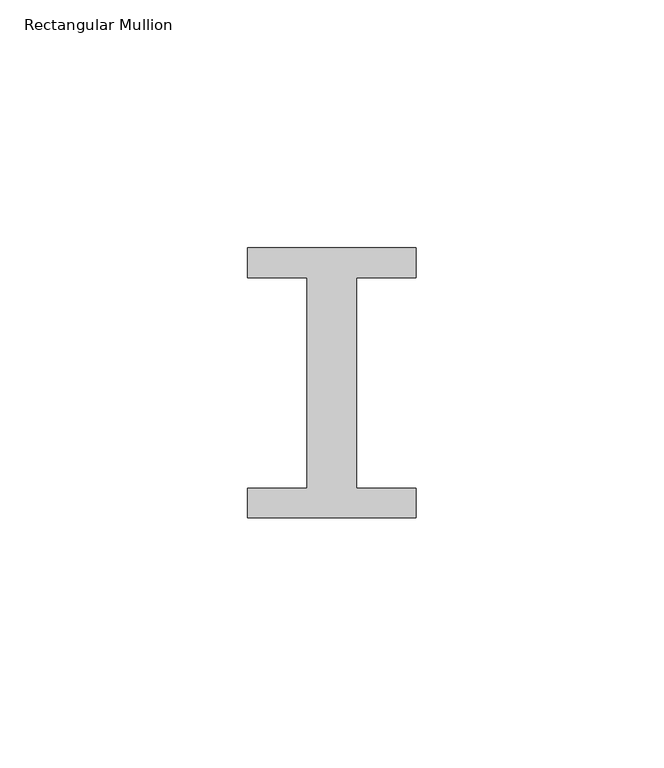
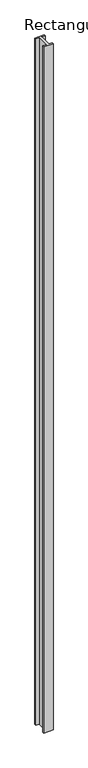
"""IFC4 building model written with IfcOpenShell, lengths in millimetres: member geometry, Rectangular Mullion."""

from ifc_helpers import new_model, si_unit, frame, origin, place, context, project, spatial, polyline, outline, extrude, source, transform, mapped, element, save


def rectangular_mullion_b843d529(model_context):
    return source(origin(), model_context, "Body", "SweptSolid", [
        extrude(outline(polyline([(17.0, -27.25), (-17.0, -27.25), (-17.0, -21.25), (-5.0, -21.25), (-5.0, 21.25), (-17.0, 21.25), (-17.0, 27.25), (17.0, 27.25), (17.0, 21.25), (5.0, 21.25), (5.0, -21.25), (17.0, -21.25), (17.0, -27.25)])), frame((0.0, 0.0, -2616.0), z_axis=(0.0, 0.0, 1.0), x_axis=(1.0, 0.0, 0.0)), (0.0, 0.0, 1.0), 2616.0),
    ])


if __name__ == "__main__":
    model = new_model("IFC4")
    model_context = context("Model", 3, world=origin())
    ifc_project = project(units=[si_unit("LENGTHUNIT", "METRE", prefix="MILLI")], contexts=[model_context])
    site = spatial("IfcSite", under=ifc_project)
    building = spatial("IfcBuilding", under=site)
    placement = place(None, origin())
    rectangular_mullion_shape = rectangular_mullion_b843d529(model_context)
    element("IfcMember", 1, ObjectType="Rectangular Mullion", at=placement, inside=building, context=model_context, shape_type="MappedRepresentation", body=[
        mapped(rectangular_mullion_shape, transform((0.0, 0.0, 0.0), x_axis=(1.0, 0.0, 0.0), y_axis=(0.0, 1.0, 0.0), z_axis=(0.0, 0.0, 1.0))),
    ])
    save(model, "model.ifc")
